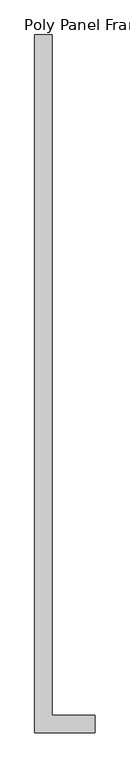
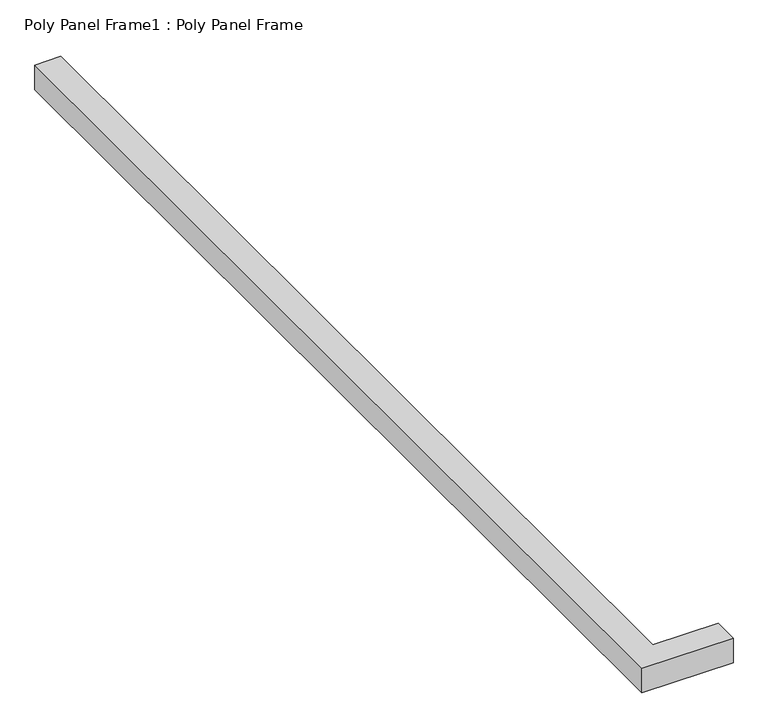
"""IFC4 building model written with IfcOpenShell, lengths in millimetres: proxy geometry, Poly Panel Frame1 : Poly Panel Frame."""

from ifc_helpers import new_model, si_unit, frame, origin, place, context, project, spatial, polyline, outline, extrude, source, transform, mapped, element, save


def poly_panel_frame1_poly_panel_frame_ab222c0c(model_context):
    return source(origin(), model_context, "Body", "SweptSolid", [
        extrude(outline(polyline([(4751.1801897, -2064.4994731), (4401.1801897, -2064.4994731), (4401.1801897, 1975.5005269), (4501.1801897, 1975.5005269), (4501.1801897, -1964.4994731), (4751.1801897, -1964.4994731), (4751.1801897, -2064.4994731)])), frame((0.0, 0.0, 800.0), z_axis=(0.0, 0.0, 1.0), x_axis=(1.0, 0.0, 0.0)), (0.0, 0.0, 1.0), 100.0),
    ])


if __name__ == "__main__":
    model = new_model("IFC4")
    model_context = context("Model", 3, world=origin())
    ifc_project = project(units=[si_unit("LENGTHUNIT", "METRE", prefix="MILLI")], contexts=[model_context])
    site = spatial("IfcSite", under=ifc_project)
    building = spatial("IfcBuilding", under=site)
    placement = place(None, origin())
    poly_panel_frame1_poly_panel_frame_shape = poly_panel_frame1_poly_panel_frame_ab222c0c(model_context)
    element("IfcBuildingElementProxy", 1, Name="Poly Panel Frame1 : Poly Panel Frame", ObjectType="Poly Panel Frame1 : Poly Panel Frame", at=placement, inside=building, context=model_context, shape_type="MappedRepresentation", body=[
        mapped(poly_panel_frame1_poly_panel_frame_shape, transform((0.0, 0.0, 0.0), x_axis=(1.0, 0.0, 0.0), y_axis=(0.0, 1.0, 0.0), z_axis=(0.0, 0.0, 1.0))),
    ])
    save(model, "model.ifc")
